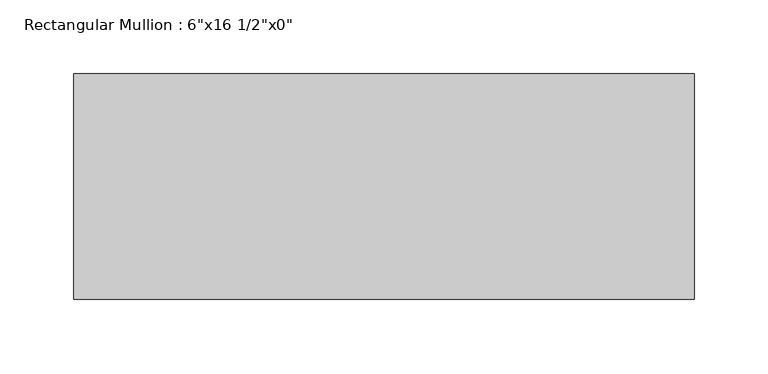
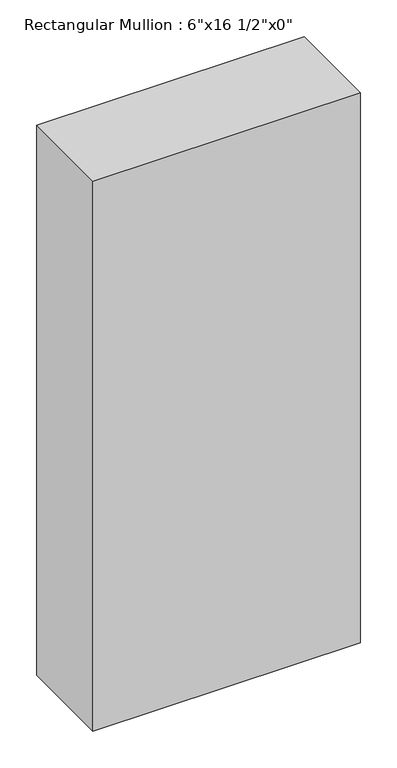
"""IFC4 building model written with IfcOpenShell, lengths in millimetres: member geometry."""

from ifc_helpers import new_model, si_unit, frame, origin, place, context, project, spatial, polyline, outline, extrude, source, transform, mapped, element, save


def member_53f8c309(model_context):
    return source(origin(), model_context, "Body", "SweptSolid", [
        extrude(outline(polyline([(0.0, 76.2), (0.0, -76.2), (-419.1, -76.2), (-419.1, 76.2), (0.0, 76.2)])), frame((0.0, 0.0, -912.2833333), z_axis=(0.0, 0.0, 1.0), x_axis=(1.0, 0.0, 0.0)), (0.0, 0.0, 1.0), 912.2833333),
    ])


if __name__ == "__main__":
    model = new_model("IFC4")
    model_context = context("Model", 3, world=origin())
    ifc_project = project(units=[si_unit("LENGTHUNIT", "METRE", prefix="MILLI")], contexts=[model_context])
    site = spatial("IfcSite", under=ifc_project)
    building = spatial("IfcBuilding", under=site)
    placement = place(None, origin())
    member_shape = member_53f8c309(model_context)
    element("IfcMember", 1, ObjectType="Rectangular Mullion : 6\"x16 1/2\"x0\"", at=placement, inside=building, context=model_context, shape_type="MappedRepresentation", body=[
        mapped(member_shape, transform((0.0, 0.0, 0.0), x_axis=(1.0, 0.0, 0.0), y_axis=(0.0, 1.0, 0.0), z_axis=(0.0, 0.0, 1.0))),
    ])
    save(model, "model.ifc")
